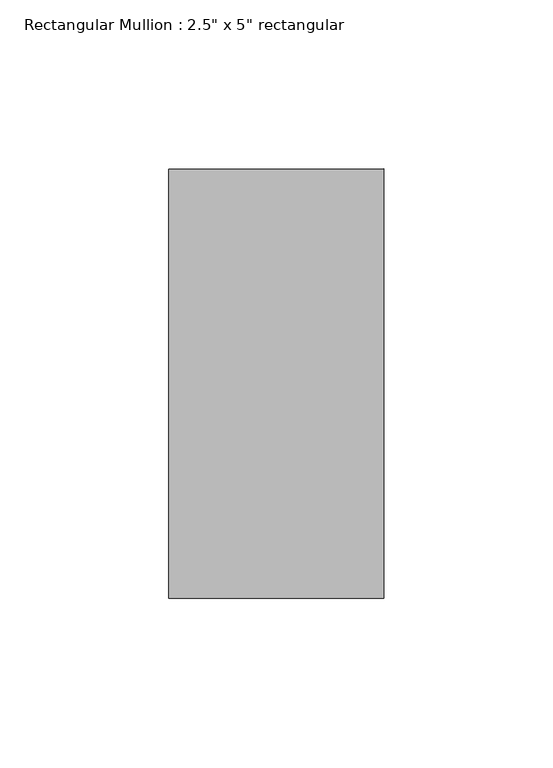
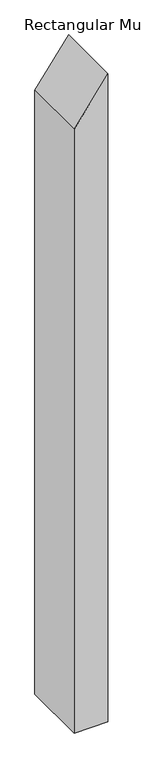
"""IFC4 building model written with IfcOpenShell, lengths in millimetres: member geometry."""

from ifc_helpers import new_model, si_unit, frame, origin, place, context, project, spatial, polyline, outline, extrude, source, transform, mapped, element, save


def member_f1007da5(model_context):
    return source(origin(), model_context, "Body", "SweptSolid", [
        extrude(outline(polyline([(0.0, 0.0), (-87.6446107, -63.5), (-1283.0537537, -63.5), (-1283.0537537, 0.0), (0.0, 0.0)])), frame((0.0, -63.5, 0.0), z_axis=(0.0, 1.0, 0.0), x_axis=(0.0, 0.0, 1.0)), (0.0, 0.0, 1.0), 127.0),
    ])


if __name__ == "__main__":
    model = new_model("IFC4")
    model_context = context("Model", 3, world=origin())
    ifc_project = project(units=[si_unit("LENGTHUNIT", "METRE", prefix="MILLI")], contexts=[model_context])
    site = spatial("IfcSite", under=ifc_project)
    building = spatial("IfcBuilding", under=site)
    placement = place(None, origin())
    member_shape = member_f1007da5(model_context)
    element("IfcMember", 1, ObjectType="Rectangular Mullion : 2.5\" x 5\" rectangular", at=placement, inside=building, context=model_context, shape_type="MappedRepresentation", body=[
        mapped(member_shape, transform((0.0, 0.0, 0.0), x_axis=(1.0, 0.0, 0.0), y_axis=(0.0, 1.0, 0.0), z_axis=(0.0, 0.0, 1.0))),
    ])
    save(model, "model.ifc")
